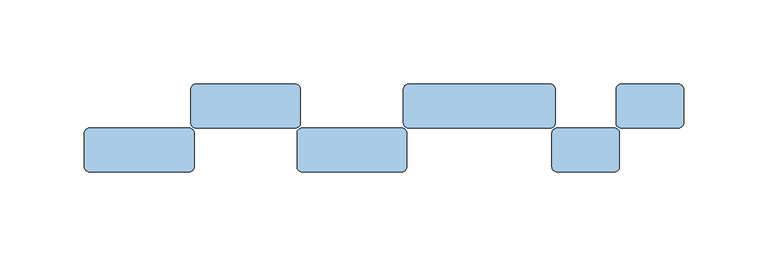
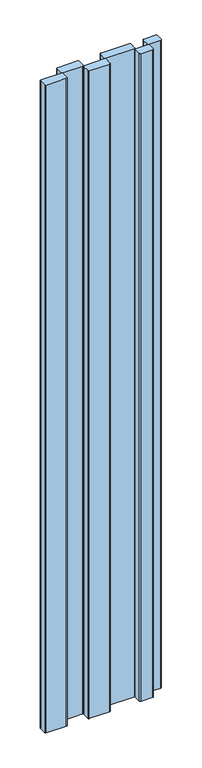
"""IFC4 building model written with IfcOpenShell, lengths in millimetres: window geometry."""

from ifc_helpers import new_model, si_unit, point, frame, frame_2d, origin, place, context, project, spatial, polyline, circle_curve, trimmed, segment, composite_curve, outline, extrude, source, transform, mapped, element, save


def window_cc5e38d7(model_context):
    return source(origin(), model_context, "Body", "SweptSolid", [
        extrude(outline(composite_curve([segment(polyline([(-738.5, 131.0), (-738.5, 151.0)]), True, "CONTINUOUS"), segment(trimmed(circle_curve(frame_2d((-735.5, 151.0)), 3.0), [point((-738.5, 151.0))], [point((-735.5, 154.0))], False, "CARTESIAN"), True, "CONTINUOUS"), segment(polyline([(-735.5, 154.0), (-676.5, 154.0)]), True, "CONTINUOUS"), segment(trimmed(circle_curve(frame_2d((-676.5, 151.0)), 3.0), [point((-676.5, 154.0))], [point((-673.5, 151.0))], False, "CARTESIAN"), True, "CONTINUOUS"), segment(polyline([(-673.5, 151.0), (-673.5, 131.0)]), True, "CONTINUOUS"), segment(trimmed(circle_curve(frame_2d((-676.5, 131.0)), 3.0), [point((-673.5, 131.0))], [point((-676.5, 128.0))], False, "CARTESIAN"), True, "CONTINUOUS"), segment(polyline([(-676.5, 128.0), (-735.5, 128.0)]), True, "CONTINUOUS"), segment(trimmed(circle_curve(frame_2d((-735.5, 131.0)), 3.0), [point((-735.5, 128.0))], [point((-738.5, 131.0))], False, "CARTESIAN"), True, "CONTINUOUS")], self_intersect=False)), frame((0.0, 0.0, 100.0), z_axis=(0.0, 0.0, 1.0), x_axis=(1.0, 0.0, 0.0)), (0.0, 0.0, 1.0), 2000.0),
        extrude(outline(composite_curve([segment(polyline([(-675.5, 157.0), (-675.5, 177.0)]), True, "CONTINUOUS"), segment(trimmed(circle_curve(frame_2d((-672.5, 177.0)), 3.0), [point((-675.5, 177.0))], [point((-672.5, 180.0))], False, "CARTESIAN"), True, "CONTINUOUS"), segment(polyline([(-672.5, 180.0), (-613.5, 180.0)]), True, "CONTINUOUS"), segment(trimmed(circle_curve(frame_2d((-613.5, 177.0)), 3.0), [point((-613.5, 180.0))], [point((-610.5, 177.0))], False, "CARTESIAN"), True, "CONTINUOUS"), segment(polyline([(-610.5, 177.0), (-610.5, 157.0)]), True, "CONTINUOUS"), segment(trimmed(circle_curve(frame_2d((-613.5, 157.0)), 3.0), [point((-610.5, 157.0))], [point((-613.5, 154.0))], False, "CARTESIAN"), True, "CONTINUOUS"), segment(polyline([(-613.5, 154.0), (-672.5, 154.0)]), True, "CONTINUOUS"), segment(trimmed(circle_curve(frame_2d((-672.5, 157.0)), 3.0), [point((-672.5, 154.0))], [point((-675.5, 157.0))], False, "CARTESIAN"), True, "CONTINUOUS")], self_intersect=False)), frame((0.0, 0.0, 100.0), z_axis=(0.0, 0.0, 1.0), x_axis=(1.0, 0.0, 0.0)), (0.0, 0.0, 1.0), 2000.0),
        extrude(outline(composite_curve([segment(polyline([(-612.5, 131.0), (-612.5, 151.0)]), True, "CONTINUOUS"), segment(trimmed(circle_curve(frame_2d((-609.5, 151.0)), 3.0), [point((-612.5, 151.0))], [point((-609.5, 154.0))], False, "CARTESIAN"), True, "CONTINUOUS"), segment(polyline([(-609.5, 154.0), (-550.5, 154.0)]), True, "CONTINUOUS"), segment(trimmed(circle_curve(frame_2d((-550.5, 151.0)), 3.0), [point((-550.5, 154.0))], [point((-547.5, 151.0))], False, "CARTESIAN"), True, "CONTINUOUS"), segment(polyline([(-547.5, 151.0), (-547.5, 131.0)]), True, "CONTINUOUS"), segment(trimmed(circle_curve(frame_2d((-550.5, 131.0)), 3.0), [point((-547.5, 131.0))], [point((-550.5, 128.0))], False, "CARTESIAN"), True, "CONTINUOUS"), segment(polyline([(-550.5, 128.0), (-609.5, 128.0)]), True, "CONTINUOUS"), segment(trimmed(circle_curve(frame_2d((-609.5, 131.0)), 3.0), [point((-609.5, 128.0))], [point((-612.5, 131.0))], False, "CARTESIAN"), True, "CONTINUOUS")], self_intersect=False)), frame((0.0, 0.0, 100.0), z_axis=(0.0, 0.0, 1.0), x_axis=(1.0, 0.0, 0.0)), (0.0, 0.0, 1.0), 2000.0),
        extrude(outline(composite_curve([segment(polyline([(-549.5, 157.0), (-549.5, 177.0)]), True, "CONTINUOUS"), segment(trimmed(circle_curve(frame_2d((-546.5, 177.0)), 3.0), [point((-549.5, 177.0))], [point((-546.5, 180.0))], False, "CARTESIAN"), True, "CONTINUOUS"), segment(polyline([(-546.5, 180.0), (-462.5011808, 180.0)]), True, "CONTINUOUS"), segment(trimmed(circle_curve(frame_2d((-462.5011808, 177.0)), 3.0), [point((-462.5011808, 180.0))], [point((-459.5011808, 177.0))], False, "CARTESIAN"), True, "CONTINUOUS"), segment(polyline([(-459.5011808, 177.0), (-459.5011808, 157.0)]), True, "CONTINUOUS"), segment(trimmed(circle_curve(frame_2d((-462.5011808, 157.0)), 3.0), [point((-459.5011808, 157.0))], [point((-462.5011808, 154.0))], False, "CARTESIAN"), True, "CONTINUOUS"), segment(polyline([(-462.5011808, 154.0), (-546.5, 154.0)]), True, "CONTINUOUS"), segment(trimmed(circle_curve(frame_2d((-546.5, 157.0)), 3.0), [point((-546.5, 154.0))], [point((-549.5, 157.0))], False, "CARTESIAN"), True, "CONTINUOUS")], self_intersect=False)), frame((0.0, 0.0, 100.0), z_axis=(0.0, 0.0, 1.0), x_axis=(1.0, 0.0, 0.0)), (0.0, 0.0, 1.0), 2000.0),
        extrude(outline(composite_curve([segment(trimmed(circle_curve(frame_2d((-386.5011808, 157.0)), 3.0), [point((-383.5011808, 157.0))], [point((-386.5011808, 154.0))], False, "CARTESIAN"), True, "CONTINUOUS"), segment(polyline([(-386.5011808, 154.0), (-420.5011808, 154.0)]), True, "CONTINUOUS"), segment(trimmed(circle_curve(frame_2d((-420.5011808, 157.0)), 3.0), [point((-420.5011808, 154.0))], [point((-423.5011808, 157.0))], False, "CARTESIAN"), True, "CONTINUOUS"), segment(polyline([(-423.5011808, 157.0), (-423.5011808, 177.0)]), True, "CONTINUOUS"), segment(trimmed(circle_curve(frame_2d((-420.5011808, 177.0)), 3.0), [point((-423.5011808, 177.0))], [point((-420.5011808, 180.0))], False, "CARTESIAN"), True, "CONTINUOUS"), segment(polyline([(-420.5011808, 180.0), (-386.5011808, 180.0)]), True, "CONTINUOUS"), segment(trimmed(circle_curve(frame_2d((-386.5011808, 177.0)), 3.0), [point((-386.5011808, 180.0))], [point((-383.5011808, 177.0))], False, "CARTESIAN"), True, "CONTINUOUS"), segment(polyline([(-383.5011808, 177.0), (-383.5011808, 157.0)]), True, "CONTINUOUS")], self_intersect=False)), frame((0.0, 0.0, 100.0), z_axis=(0.0, 0.0, 1.0), x_axis=(1.0, 0.0, 0.0)), (0.0, 0.0, 1.0), 2000.0),
        extrude(outline(composite_curve([segment(trimmed(circle_curve(frame_2d((-424.5011808, 131.0)), 3.0), [point((-421.5011808, 131.0))], [point((-424.5011808, 128.0))], False, "CARTESIAN"), True, "CONTINUOUS"), segment(polyline([(-424.5011808, 128.0), (-458.5011808, 128.0)]), True, "CONTINUOUS"), segment(trimmed(circle_curve(frame_2d((-458.5011808, 131.0)), 3.0), [point((-458.5011808, 128.0))], [point((-461.5011808, 131.0))], False, "CARTESIAN"), True, "CONTINUOUS"), segment(polyline([(-461.5011808, 131.0), (-461.5011808, 151.0)]), True, "CONTINUOUS"), segment(trimmed(circle_curve(frame_2d((-458.5011808, 151.0)), 3.0), [point((-461.5011808, 151.0))], [point((-458.5011808, 154.0))], False, "CARTESIAN"), True, "CONTINUOUS"), segment(polyline([(-458.5011808, 154.0), (-424.5011808, 154.0)]), True, "CONTINUOUS"), segment(trimmed(circle_curve(frame_2d((-424.5011808, 151.0)), 3.0), [point((-424.5011808, 154.0))], [point((-421.5011808, 151.0))], False, "CARTESIAN"), True, "CONTINUOUS"), segment(polyline([(-421.5011808, 151.0), (-421.5011808, 131.0)]), True, "CONTINUOUS")], self_intersect=False)), frame((0.0, 0.0, 100.0), z_axis=(0.0, 0.0, 1.0), x_axis=(1.0, 0.0, 0.0)), (0.0, 0.0, 1.0), 2000.0),
    ])


if __name__ == "__main__":
    model = new_model("IFC4")
    model_context = context("Model", 3, world=origin())
    ifc_project = project(units=[si_unit("LENGTHUNIT", "METRE", prefix="MILLI")], contexts=[model_context])
    site = spatial("IfcSite", under=ifc_project)
    building = spatial("IfcBuilding", under=site)
    placement = place(None, origin())
    window_shape = window_cc5e38d7(model_context)
    element("IfcWindow", 1, at=placement, inside=building, context=model_context, shape_type="MappedRepresentation", body=[
        mapped(window_shape, transform((0.0, 0.0, 0.0), x_axis=(1.0, 0.0, 0.0), y_axis=(0.0, 1.0, 0.0), z_axis=(0.0, 0.0, 1.0))),
    ])
    save(model, "model.ifc")
